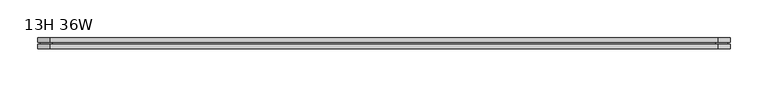
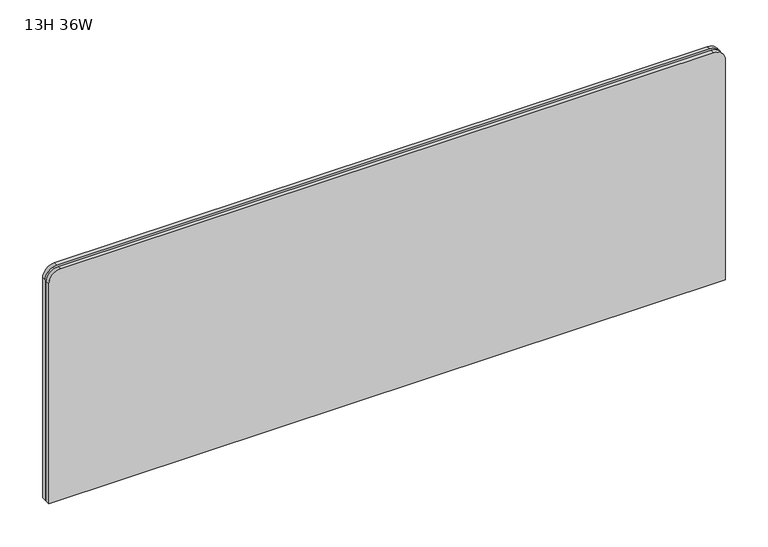
"""IFC4 building model written with IfcOpenShell, lengths in millimetres: furniture geometry, 13H 36W."""

from ifc_helpers import new_model, si_unit, point, frame, frame_2d, origin, place, context, project, spatial, polyline, circle_curve, trimmed, segment, composite_curve, outline, extrude, source, transform, mapped, element, save


def furniture_13h_36w_5fe1f154(model_context):
    return source(origin(), model_context, "Body", "SweptSolid", [
        extrude(outline(composite_curve([segment(polyline([(327.025, 654.05), (327.025, -222.25)]), True, "CONTINUOUS"), segment(trimmed(circle_curve(frame_2d((311.15, -222.25)), 15.875), [point((327.025, -222.25))], [point((311.15, -238.125))], False, "CARTESIAN"), True, "CONTINUOUS"), segment(polyline([(311.15, -238.125), (3.175, -238.125), (3.175, 669.925), (311.15, 669.925)]), True, "CONTINUOUS"), segment(trimmed(circle_curve(frame_2d((311.15, 654.05)), 15.875), [point((311.15, 669.925))], [point((327.025, 654.05))], False, "CARTESIAN"), True, "CONTINUOUS")], self_intersect=False)), frame((0.0, -201.3409766, 0.0), z_axis=(0.0, 1.0, 0.0), x_axis=(0.0, 0.0, 1.0)), (0.0, 0.0, 1.0), 3.175),
        extrude(outline(composite_curve([segment(polyline([(330.2, 657.225), (330.2, -225.425)]), True, "CONTINUOUS"), segment(trimmed(circle_curve(frame_2d((314.325, -225.425)), 15.875), [point((330.2, -225.425))], [point((314.325, -241.3))], False, "CARTESIAN"), True, "CONTINUOUS"), segment(polyline([(314.325, -241.3), (0.0, -241.3), (0.0, 673.1), (314.325, 673.1)]), True, "CONTINUOUS"), segment(trimmed(circle_curve(frame_2d((314.325, 657.225)), 15.875), [point((314.325, 673.1))], [point((330.2, 657.225))], False, "CARTESIAN"), True, "CONTINUOUS")], self_intersect=False)), frame((0.0, -198.1659766, 0.0), z_axis=(0.0, 1.0, 0.0), x_axis=(0.0, 0.0, 1.0)), (0.0, 0.0, 1.0), 5.55625),
        extrude(outline(composite_curve([segment(polyline([(330.2, 657.225), (330.2, -225.425)]), True, "CONTINUOUS"), segment(trimmed(circle_curve(frame_2d((314.325, -225.425)), 15.875), [point((330.2, -225.425))], [point((314.325, -241.3))], False, "CARTESIAN"), True, "CONTINUOUS"), segment(polyline([(314.325, -241.3), (0.0, -241.3), (0.0, 673.1), (314.325, 673.1)]), True, "CONTINUOUS"), segment(trimmed(circle_curve(frame_2d((314.325, 657.225)), 15.875), [point((314.325, 673.1))], [point((330.2, 657.225))], False, "CARTESIAN"), True, "CONTINUOUS")], self_intersect=False)), frame((0.0, -206.8972266, 0.0), z_axis=(0.0, 1.0, 0.0), x_axis=(0.0, 0.0, 1.0)), (0.0, 0.0, 1.0), 5.55625),
    ])


if __name__ == "__main__":
    model = new_model("IFC4")
    model_context = context("Model", 3, world=origin())
    ifc_project = project(units=[si_unit("LENGTHUNIT", "METRE", prefix="MILLI")], contexts=[model_context])
    site = spatial("IfcSite", under=ifc_project)
    building = spatial("IfcBuilding", under=site)
    placement = place(None, origin())
    furniture_13h_36w_shape = furniture_13h_36w_5fe1f154(model_context)
    element("IfcFurniture", 1, ObjectType="13H 36W", at=placement, inside=building, context=model_context, shape_type="MappedRepresentation", body=[
        mapped(furniture_13h_36w_shape, transform((0.0, 0.0, 0.0), x_axis=(1.0, 0.0, 0.0), y_axis=(0.0, 1.0, 0.0), z_axis=(0.0, 0.0, 1.0))),
    ])
    save(model, "model.ifc")
